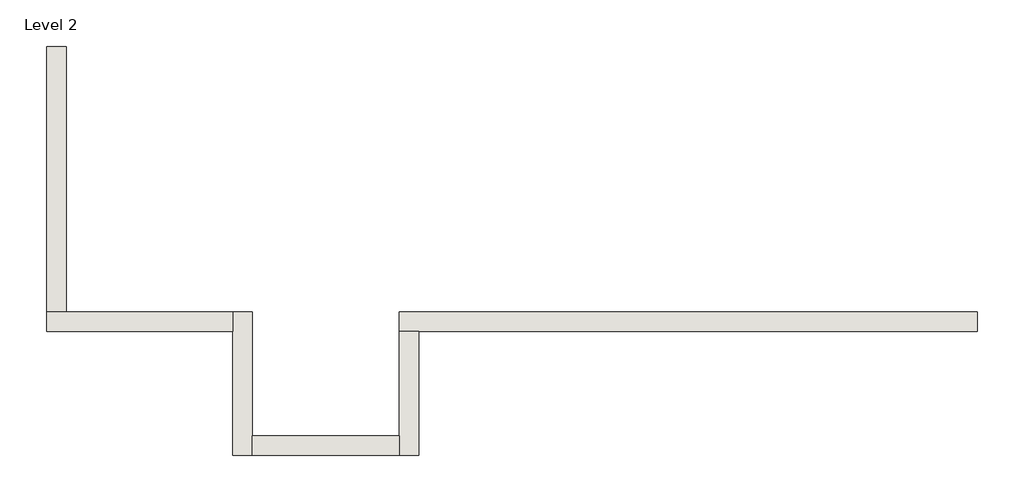
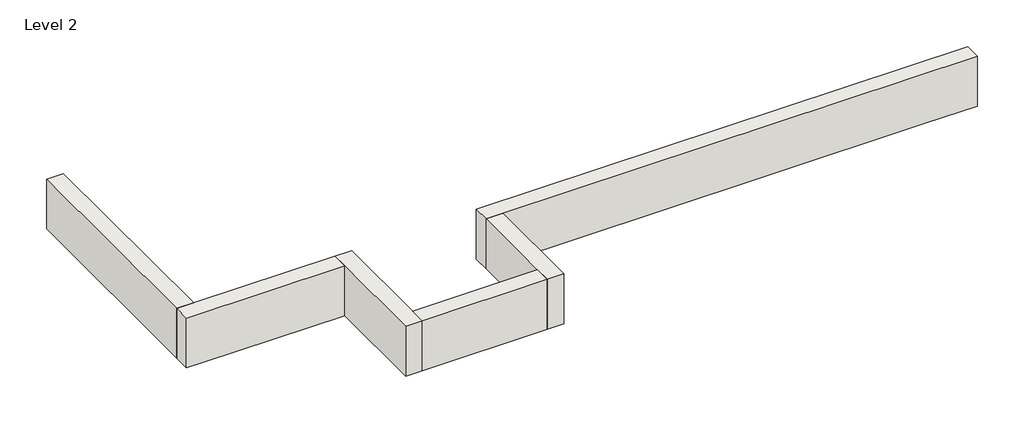
# One storey: 6 walls.
"""IFC4 building model written with IfcOpenShell, lengths in millimetres."""

from ifc_helpers import new_model, si_unit, frame, origin, place, context, project, spatial, polyline, outline, extrude, faceted_brep, element, save

model = new_model("IFC4")

# Units and contexts
model_context = context("Model", 3, world=origin())
ifc_project = project(units=[si_unit("LENGTHUNIT", "METRE", prefix="MILLI")], contexts=[model_context])

# Site, building, storey
site = spatial("IfcSite", under=ifc_project)
building = spatial("IfcBuilding", under=site)
storey = spatial("IfcBuildingStorey", under=building, Name="Level 2", Elevation=3048.0)

# Walls
placement = place(None, origin())
element("IfcWall", 1, ObjectType="Generic - 8\" Brick", at=placement, inside=storey, context=model_context, shape_type="Brep", body=[
    faceted_brep([(7315.157857, 1412.8726187, 3048.0), (6705.557857, 1412.8726187, 3048.0), (4876.757857, 1412.8726187, 3048.0), (3657.557857, 1412.8726187, 3048.0), (1635.0852383, 1412.8726187, 3048.0), (1635.0852383, 1412.8726187, 3657.6), (7315.157857, 1412.8726187, 3657.6), (7315.157857, 1219.1976187, 3048.0), (7315.157857, 1219.1976187, 3657.6), (1828.7602383, 1219.1976187, 3657.6), (1635.0852383, 1219.1976187, 3657.6), (1635.0852383, 1219.1976187, 3048.0), (1828.7602383, 1219.1976187, 3048.0), (3657.557857, 1219.1976187, 3048.0), (4876.757857, 1219.1976187, 3048.0), (6705.557857, 1219.1976187, 3048.0)], [[[0, 1, 2, 3, 4, 5, 6]], [[7, 8, 9, 10, 11, 12, 13, 14, 15]], [[4, 3, 2, 1, 0, 7, 15, 14, 13, 12, 11]], [[6, 5, 10, 9, 8]], [[0, 6, 8, 7]], [[5, 4, 11, 10]]]),
])
element("IfcWall", 2, ObjectType="Generic - 8\" Brick", at=placement, inside=storey, context=model_context, shape_type="Brep", body=[
    faceted_brep([(1635.0852383, 1219.1976187, 3048.0), (1635.0852383, 193.675, 3048.0), (1635.0852383, 0.0, 3048.0), (1635.0852383, 0.0, 3657.6), (1635.0852383, 193.675, 3657.6), (1635.0852383, 1219.1976187, 3657.6), (1828.7602383, 1219.1976187, 3048.0), (1828.7602383, 1219.1976187, 3657.6), (1828.7602383, 0.0, 3657.6), (1828.7602383, 0.0, 3048.0)], [[[0, 1, 2, 3, 4, 5]], [[6, 7, 8, 9]], [[2, 1, 0, 6, 9]], [[5, 4, 3, 8, 7]], [[0, 5, 7, 6]], [[3, 2, 9, 8]]]),
])
element("IfcWall", 3, ObjectType="Generic - 8\" Brick", at=placement, inside=storey, context=model_context, shape_type="SweptSolid", body=[
    extrude(outline(polyline([(193.632857, 193.675), (1635.0852383, 193.675), (1635.0852383, 0.0), (193.632857, 0.0), (193.632857, 193.675)])), frame((0.0, 0.0, 3048.0), z_axis=(0.0, 0.0, 1.0), x_axis=(1.0, 0.0, 0.0)), (0.0, 0.0, 1.0), 609.6),
])
element("IfcWall", 4, ObjectType="Generic - 8\" Brick", at=placement, inside=storey, context=model_context, shape_type="Brep", body=[
    faceted_brep([(193.632857, 0.0, 3048.0), (193.632857, 193.675, 3048.0), (193.632857, 1412.8726187, 3048.0), (193.632857, 1412.8726187, 3657.6), (193.632857, 193.675, 3657.6), (193.632857, 0.0, 3657.6), (-0.042143, 0.0, 3048.0), (-0.042143, 0.0, 3657.6), (-0.042143, 1219.1976187, 3657.6), (-0.042143, 1412.8726187, 3657.6), (-0.042143, 1412.8726187, 3048.0), (-0.042143, 1219.1976187, 3048.0)], [[[0, 1, 2, 3, 4, 5]], [[6, 7, 8, 9, 10, 11]], [[2, 1, 0, 6, 11, 10]], [[5, 4, 3, 9, 8, 7]], [[0, 5, 7, 6]], [[3, 2, 10, 9]]]),
])
element("IfcWall", 5, ObjectType="Generic - 8\" Brick", at=placement, inside=storey, context=model_context, shape_type="Brep", body=[
    faceted_brep([(-0.042143, 1412.8726187, 3048.0), (-1635.135393, 1412.8726187, 3048.0), (-1828.810393, 1412.8726187, 3048.0), (-1828.810393, 1412.8726187, 3657.6), (-1635.135393, 1412.8726187, 3657.6), (-0.042143, 1412.8726187, 3657.6), (-0.042143, 1219.1976187, 3048.0), (-0.042143, 1219.1976187, 3657.6), (-1828.810393, 1219.1976187, 3657.6), (-1828.810393, 1219.1976187, 3048.0), (-1635.135393, 1219.1976187, 3048.0)], [[[0, 1, 2, 3, 4, 5]], [[6, 7, 8, 9, 10]], [[2, 1, 0, 6, 10, 9]], [[5, 4, 3, 8, 7]], [[0, 5, 7, 6]], [[3, 2, 9, 8]]]),
])
element("IfcWall", 6, ObjectType="Generic - 8\" Brick", at=placement, inside=storey, context=model_context, shape_type="SweptSolid", body=[
    extrude(outline(polyline([(-1635.135393, 4021.038226), (-1635.135393, 1412.8726187), (-1828.810393, 1412.8726187), (-1828.810393, 4021.038226), (-1635.135393, 4021.038226)])), frame((0.0, 0.0, 3048.0), z_axis=(0.0, 0.0, 1.0), x_axis=(1.0, 0.0, 0.0)), (0.0, 0.0, 1.0), 609.6),
])

save(model, "model.ifc")
